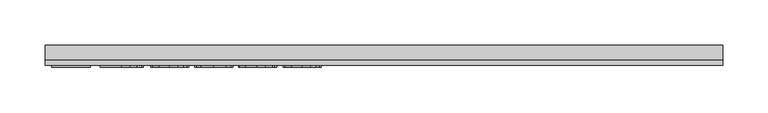
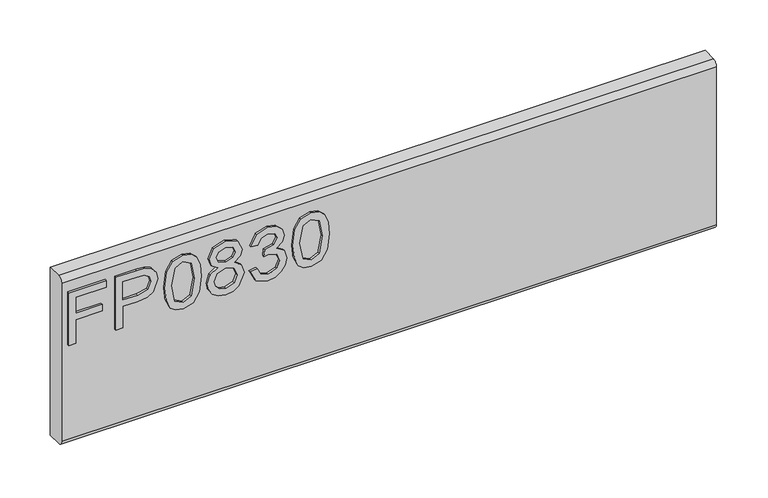
"""IFC4 building model written with IfcOpenShell, lengths in millimetres: furniture geometry."""

from ifc_helpers import new_model, si_unit, frame, origin, place, context, project, spatial, polyline, circle_curve, outline, extrude, source, transform, mapped, element, save
from ifc_brep_helpers import plane_surface, cylinder_surface, advanced_brep


def furniture_e9278647(model_context):
    return source(origin(), model_context, "Body", "SolidModel", [
        extrude(outline(polyline([(679.45, -367.6729953), (679.45, -359.6992757), (708.3547336, -359.6992757), (708.3547336, -329.7978271), (716.3284532, -329.7978271), (716.3284532, -359.6992757), (735.2660373, -359.6992757), (735.2660373, -324.8142524), (743.2397569, -324.8142524), (743.2397569, -367.6729953), (679.45, -367.6729953)])), frame((0.0, -15.0812439, 0.0), z_axis=(0.0, 1.0, 0.0), x_axis=(0.0, 0.0, 1.0)), (0.0, 0.0, 1.0), 2.38125),
        extrude(outline(polyline([(679.45, -313.8503879), (679.45, -305.8766683), (705.3645888, -305.8766683), (705.3645888, -289.6644766), (706.774006, -278.3365776), (711.0022577, -271.1395948), (724.7849567, -266.0080702), (733.482852, -267.9080581), (739.6500257, -272.930567), (742.6323838, -280.6784684), (743.2397569, -290.2095551), (743.2397569, -313.8503879), (679.45, -313.8503879)]), holes=[polyline([(713.3383084, -305.8766683), (735.2660373, -305.8766683), (735.2660373, -289.3841506), (734.7209588, -281.4104309), (731.1078671, -276.0297276), (724.5046306, -273.9817898), (716.2661585, -277.4547185), (713.3383084, -289.1972665), (713.3383084, -305.8766683)])]), frame((0.0, -15.0812439, 0.0), z_axis=(0.0, 1.0, 0.0), x_axis=(0.0, 0.0, 1.0)), (0.0, 0.0, 1.0), 2.38125),
        extrude(outline(polyline([(710.8309473, -258.0343506), (695.3156775, -256.4458361), (684.5270168, -251.6802928), (679.971718, -245.3885296), (678.453285, -237.1033366), (681.9495742, -225.4308701), (692.5552443, -218.4927996), (710.8309473, -216.1723226), (725.8206058, -217.620674), (735.2582505, -221.3583551), (741.1840324, -227.7902813), (743.2397569, -237.1033366), (739.7668283, -248.7290821), (729.1845188, -255.6905131), (710.8309473, -258.0343506)]), holes=[polyline([(710.846521, -250.060631), (730.9988514, -246.1983605), (735.2660373, -237.1967786), (730.4226256, -227.7591339), (710.846521, -224.1460422), (691.0601718, -227.8837233), (686.4270047, -237.1033366), (691.0445982, -246.3229499), (710.846521, -250.060631)])]), frame((0.0, -15.0812439, 0.0), z_axis=(0.0, 1.0, 0.0), x_axis=(0.0, 0.0, 1.0)), (0.0, 0.0, 1.0), 2.38125),
        extrude(outline(polyline([(714.5842021, -197.5773593), (708.7907964, -206.1740257), (698.2318474, -209.1953179), (690.4742125, -207.7547533), (684.1143145, -203.4330596), (679.8685424, -196.7597415), (678.453285, -188.2643039), (679.8627023, -179.7688663), (684.090954, -173.0955482), (698.013816, -167.3332899), (708.3313731, -170.2377796), (714.5842021, -178.7176435), (719.513269, -171.6549837), (727.0275653, -169.3267198), (738.5209346, -174.5594733), (743.2397569, -188.3733196), (738.6299503, -202.0625765), (727.2455967, -207.201888), (719.5366295, -204.8424768), (714.5842021, -197.5773593)]), holes=[polyline([(727.0119916, -199.2281684), (732.8365446, -196.3548261), (735.2660373, -188.2643039), (732.7820368, -180.1971423), (726.6537972, -177.3004395), (720.7358022, -180.1037003), (718.3218831, -188.1708619), (720.7513758, -196.4015471), (727.0119916, -199.2281684)]), polyline([(698.5121735, -201.2215983), (706.9686769, -197.8498985), (710.3481635, -188.4667617), (706.9219559, -178.8110856), (698.2629947, -175.3070095), (689.7675571, -178.7020699), (686.4270047, -188.2020092), (688.0155191, -195.1790139), (692.5085232, -199.8900494), (698.5121735, -201.2215983)])]), frame((0.0, -15.0812439, 0.0), z_axis=(0.0, 1.0, 0.0), x_axis=(0.0, 0.0, 1.0)), (0.0, 0.0, 1.0), 2.38125),
        extrude(outline(polyline([(696.3941542, -160.3562853), (683.4524335, -154.0178011), (678.453285, -140.0326444), (679.9172101, -131.5099529), (684.3089854, -124.5991364), (690.8032063, -120.020477), (698.5744681, -118.4942573), (708.9465331, -121.5466968), (714.397318, -130.2368053), (719.6767925, -123.6958634), (727.0275653, -121.4844021), (735.0713664, -123.812666), (741.0516562, -130.5404919), (743.2397569, -140.1572338), (738.8012607, -152.8342021), (726.2956028, -159.3595703), (725.2988878, -151.3858507), (732.7742499, -147.4768592), (735.2660373, -139.8769077), (732.7976105, -132.3703982), (726.5603552, -129.4581217), (719.5210558, -133.4761289), (717.3251682, -143.8014729), (709.3514486, -144.6891721), (710.2235742, -139.0982242), (706.96089, -130.0343476), (698.7146312, -126.4679769), (689.962228, -130.0654949), (686.4270047, -139.7523184), (688.9966604, -147.9830036), (697.3908691, -152.3825656), (696.3941542, -160.3562853)])), frame((0.0, -15.0812439, 0.0), z_axis=(0.0, 1.0, 0.0), x_axis=(0.0, 0.0, 1.0)), (0.0, 0.0, 1.0), 2.38125),
        extrude(outline(polyline([(710.8309473, -111.5172526), (695.3156775, -109.9287381), (684.5270168, -105.1631948), (679.971718, -98.8714316), (678.453285, -90.5862386), (681.9495742, -78.9137721), (692.5552443, -71.9757016), (710.8309473, -69.6552246), (725.8206058, -71.103576), (735.2582505, -74.8412571), (741.1840324, -81.2731833), (743.2397569, -90.5862386), (739.7668283, -102.2119841), (729.1845188, -109.1734151), (710.8309473, -111.5172526)]), holes=[polyline([(710.846521, -103.543533), (730.9988514, -99.6812625), (735.2660373, -90.6796806), (730.4226256, -81.2420359), (710.846521, -77.6289442), (691.0601718, -81.3666253), (686.4270047, -90.5862386), (691.0445982, -99.8058519), (710.846521, -103.543533)])]), frame((0.0, -15.0812439, 0.0), z_axis=(0.0, 1.0, 0.0), x_axis=(0.0, 0.0, 1.0)), (0.0, 0.0, 1.0), 2.38125),
        advanced_brep(
        [(374.65, 9.5250061, 762.0), (374.65, -6.7309939, 762.0), (374.65, -12.6999939, 756.031), (374.65, -12.6999939, 564.769), (374.65, -6.7309939, 558.8), (374.65, 9.5250061, 558.8), (-374.65, 9.5250061, 762.0), (-374.65, 9.5250061, 558.8), (-374.65, -6.7309939, 558.8), (-374.65, -12.6999939, 564.769), (-374.65, -12.6999939, 756.0310121), (-374.65, -6.7309939, 762.0)],
        [
            (0, 1),
            (1, 2, circle_curve(frame((374.65, -6.7309939, 756.031), z_axis=(1.0, 0.0, 0.0), x_axis=(0.0, 1.0, 0.0)), 5.969)),
            (2, 3),
            (3, 4, circle_curve(frame((374.65, -6.7309939, 564.769), z_axis=(1.0, 0.0, 0.0), x_axis=(0.0, 1.0, 0.0)), 5.969)),
            (4, 5),
            (5, 0),
            (6, 7),
            (7, 8),
            (8, 9, circle_curve(frame((-374.65, -6.7309939, 564.769), z_axis=(-1.0, 0.0, 0.0), x_axis=(0.0, 1.0, 0.0)), 5.969)),
            (9, 10),
            (10, 11, circle_curve(frame((-374.65, -6.7309939, 756.031), z_axis=(-1.0, 0.0, 0.0), x_axis=(0.0, 1.0, 0.0)), 5.969)),
            (11, 6),
            (0, 6),
            (11, 1),
            (10, 2),
            (9, 3),
            (8, 4),
            (7, 5),
        ],
        [
            plane_surface(frame((374.65, -6.7309939, 762.0), z_axis=(1.0, 0.0, 0.0), x_axis=(0.0, -1.0, 0.0))),
            plane_surface(frame((-374.65, -6.7309939, 762.0), z_axis=(-1.0, 0.0, 0.0), x_axis=(0.0, 1.0, 0.0))),
            plane_surface(frame((374.65, 9.5250061, 762.0), z_axis=(0.0, 0.0, 1.0), x_axis=(-1.0, 0.0, 0.0))),
            cylinder_surface(frame((-374.65, -6.7309939, 756.031), z_axis=(1.0, 0.0, 0.0), x_axis=(0.0, 1.0, 0.0)), 5.969),
            plane_surface(frame((374.65, -12.6999939, 756.0310121), z_axis=(0.0, -1.0, 0.0), x_axis=(-1.0, 0.0, 0.0))),
            cylinder_surface(frame((-374.65, -6.7309939, 564.769), z_axis=(1.0, 0.0, 0.0), x_axis=(0.0, 1.0, 0.0)), 5.969),
            plane_surface(frame((374.65, -6.7309939, 558.8), z_axis=(0.0, 0.0, -1.0), x_axis=(-1.0, 0.0, 0.0))),
            plane_surface(frame((374.65, 9.5250061, 558.8), z_axis=(0.0, 1.0, 0.0), x_axis=(-1.0, 0.0, 0.0))),
        ],
        [
            (0, [[1, 2, 3, 4, 5, 6]]),
            (1, [[7, 8, 9, 10, 11, 12]]),
            (2, [[-1, 13, -12, 14]]),
            (3, [[-2, -14, -11, 15]]),
            (4, [[-3, -15, -10, 16]]),
            (5, [[-4, -16, -9, 17]]),
            (6, [[-5, -17, -8, 18]]),
            (7, [[-6, -18, -7, -13]]),
        ],
    ),
    ])


if __name__ == "__main__":
    model = new_model("IFC4")
    model_context = context("Model", 3, world=origin())
    ifc_project = project(units=[si_unit("LENGTHUNIT", "METRE", prefix="MILLI")], contexts=[model_context])
    site = spatial("IfcSite", under=ifc_project)
    building = spatial("IfcBuilding", under=site)
    placement = place(None, origin())
    furniture_shape = furniture_e9278647(model_context)
    element("IfcFurniture", 1, at=placement, inside=building, context=model_context, shape_type="MappedRepresentation", body=[
        mapped(furniture_shape, transform((0.0, 0.0, 0.0), x_axis=(1.0, 0.0, 0.0), y_axis=(0.0, 1.0, 0.0), z_axis=(0.0, 0.0, 1.0))),
    ])
    save(model, "model.ifc")
